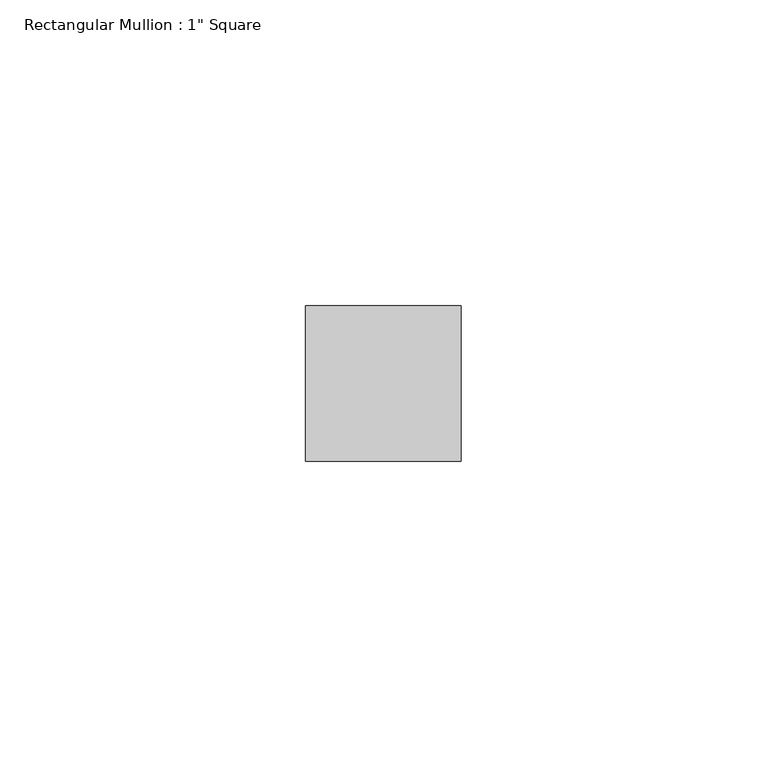
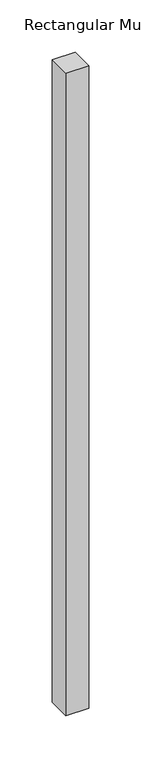
"""IFC4 building model written with IfcOpenShell, lengths in millimetres: member geometry."""

import ifcopenshell
import ifcopenshell.guid

model = None  # the IFC model being written
_history = None  # IfcOwnerHistory: only IFC2X3 demands one
_inside = {}  # id of a spatial element -> (the spatial element, [elements in it])
_under = {}  # id of a project, library or spatial element -> (it, [spatial elements below it])
_declared = {}  # id of a project -> (the project, [libraries it declares])
_typed = {}  # id of a type object -> (the type object, [elements of that type])
_made_of = {}  # id of a material, layer set ... -> (it, [elements and type objects made of it])


def new_model(schema):
    """Start an empty IFC model of exactly this schema.

    Asked for "IFC4X3", IfcOpenShell would pick the latest addendum, in which some entities
    have other attributes; the version numbers below select the first issue.
    IFC2X3 requires an IfcOwnerHistory on every rooted entity: one is made here for all.
    """
    global model, _history
    if schema == "IFC4X3":
        model = ifcopenshell.file(schema_version=(4, 3, 0, 0))
    else:
        model = ifcopenshell.file(schema=schema)
    _inside.clear()
    _under.clear()
    _declared.clear()
    _typed.clear()
    _made_of.clear()
    _history = None
    if model.schema == "IFC2X3":
        org = make("IfcOrganization", Name="unknown")
        user = make(
            "IfcPersonAndOrganization",
            ThePerson=make("IfcPerson", FamilyName="unknown"),
            TheOrganization=org,
        )
        app = make(
            "IfcApplication",
            ApplicationDeveloper=org,
            Version="unknown",
            ApplicationFullName="unknown",
            ApplicationIdentifier="unknown",
        )
        _history = make(
            "IfcOwnerHistory",
            OwningUser=user,
            OwningApplication=app,
            ChangeAction="ADDED",
            CreationDate=0,
        )
    return model


def make(cls, **values):
    """One entity of the class cls with the attributes given. An attribute that is None is left unset."""
    return model.create_entity(
        cls, **{name: value for name, value in values.items() if value is not None}
    )


def rooted(cls, **values):
    """An entity with a GlobalId (a new one), such as an element, a storey or a relation."""
    return make(cls, GlobalId=ifcopenshell.guid.new(), OwnerHistory=_history, **values)


def si_unit(unit_type, name, prefix=None):
    """IfcSIUnit, for example si_unit("LENGTHUNIT", "METRE", prefix="MILLI")."""
    return make("IfcSIUnit", UnitType=unit_type, Prefix=prefix, Name=name)


def assignment(units):
    """IfcUnitAssignment: the units of a project."""
    return None if units is None else make("IfcUnitAssignment", Units=units)


def point(xyz):
    """IfcCartesianPoint."""
    return None if xyz is None else make("IfcCartesianPoint", Coordinates=xyz)


def direction(xyz):
    """IfcDirection."""
    return None if xyz is None else make("IfcDirection", DirectionRatios=xyz)


def frame(location, z_axis=None, x_axis=None):
    """IfcAxis2Placement3D, a coordinate frame: its origin and axes. An axis left out is left unset."""
    return make(
        "IfcAxis2Placement3D",
        Location=point(location),
        Axis=direction(z_axis),
        RefDirection=direction(x_axis),
    )


def origin():
    """The frame at (0, 0, 0) with its axes left unset."""
    return frame((0.0, 0.0, 0.0))


def place(relative_to, where):
    """IfcLocalPlacement: puts the frame where relative to a parent placement (None: the world)."""
    return make(
        "IfcLocalPlacement", PlacementRelTo=relative_to, RelativePlacement=where
    )


def context(
    kind, dimensions, precision=None, world=None, true_north=None, identifier=None
):
    """IfcGeometricRepresentationContext, for example the 3D "Model" context."""
    return make(
        "IfcGeometricRepresentationContext",
        ContextIdentifier=identifier,
        ContextType=kind,
        CoordinateSpaceDimension=dimensions,
        Precision=precision,
        WorldCoordinateSystem=world,
        TrueNorth=true_north,
    )


def project(units=None, contexts=None):
    """IfcProject with its units and contexts."""
    return rooted(
        "IfcProject",
        Name="project",
        RepresentationContexts=contexts,
        UnitsInContext=assignment(units),
    )


def spatial(cls, under=None, at=None, **own):
    """A site, building, storey or space (cls), placed at a placement, below another one or the project."""
    s = rooted(cls, ObjectPlacement=at, **own)
    if under is not None:
        _under.setdefault(under.id(), (under, []))[1].append(s)
    return s


def polyline(points):
    """IfcPolyline through the points."""
    return make("IfcPolyline", Points=[point(p) for p in points])


def outline(outer, holes=None, kind="AREA"):
    """IfcArbitraryClosedProfileDef: a profile drawn as a closed curve; with holes, ...WithVoids."""
    if holes is None:
        return make("IfcArbitraryClosedProfileDef", ProfileType=kind, OuterCurve=outer)
    return make(
        "IfcArbitraryProfileDefWithVoids",
        ProfileType=kind,
        OuterCurve=outer,
        InnerCurves=holes,
    )


def extrude(swept, where, along, depth):
    """IfcExtrudedAreaSolid: the profile swept, set in the frame where, extruded along a direction by depth."""
    return make(
        "IfcExtrudedAreaSolid",
        SweptArea=swept,
        Position=where,
        ExtrudedDirection=direction(along),
        Depth=depth,
    )


def shape(context_of_items, identifier, shape_type, items):
    """IfcShapeRepresentation: the items that make up one representation, for example the "Body"."""
    return make(
        "IfcShapeRepresentation",
        ContextOfItems=context_of_items,
        RepresentationIdentifier=identifier,
        RepresentationType=shape_type,
        Items=items,
    )


def source(mapping_origin, context_of_items, identifier, shape_type, items):
    """IfcRepresentationMap: a shape defined once, which mapped items show again and again."""
    return make(
        "IfcRepresentationMap",
        MappingOrigin=mapping_origin,
        MappedRepresentation=shape(context_of_items, identifier, shape_type, items),
    )


def transform(
    local_origin,
    x_axis=None,
    y_axis=None,
    z_axis=None,
    scale=None,
    scale2=None,
    scale3=None,
    uniform=True,
):
    """IfcCartesianTransformationOperator3D, or its non-uniform kind. x_axis, y_axis, z_axis: its Axis1, 2, 3."""
    if uniform:
        return make(
            "IfcCartesianTransformationOperator3D",
            Axis1=direction(x_axis),
            Axis2=direction(y_axis),
            LocalOrigin=point(local_origin),
            Scale=scale,
            Axis3=direction(z_axis),
        )
    return make(
        "IfcCartesianTransformationOperator3DnonUniform",
        Axis1=direction(x_axis),
        Axis2=direction(y_axis),
        LocalOrigin=point(local_origin),
        Scale=scale,
        Axis3=direction(z_axis),
        Scale2=scale2,
        Scale3=scale3,
    )


def mapped(mapping_source, mapping_target):
    """IfcMappedItem: shows the shape of a source again, moved by a transform."""
    return make(
        "IfcMappedItem", MappingSource=mapping_source, MappingTarget=mapping_target
    )


def made_of(thing, what):
    """Note that an element or type object is made of a material, layer set ...; save() writes the relation."""
    if what is not None:
        _made_of.setdefault(what.id(), (what, []))[1].append(thing)
    return thing


def element(
    cls,
    number,
    at=None,
    inside=None,
    cuts=None,
    type_object=None,
    material=None,
    context=None,
    identifier="Body",
    shape_type=None,
    held_by="IfcProductDefinitionShape",
    body=None,
    shapes=None,
    **own,
):
    """One element of the class cls, such as IfcWall. Its Tag is "e" and its number.

    at: its placement. inside: the storey or other place that contains it. cuts: it is an
    opening in that element (IfcRelVoidsElement). A single representation is given by context,
    identifier, shape_type and body (its items); several are given by shapes. held_by: the class
    of the entity that holds the representations. save() writes the other relations.
    """
    e = rooted(cls, Tag="e%d" % number, ObjectPlacement=at, **own)
    if body is not None:
        shapes = [shape(context, identifier, shape_type, body)]
    if shapes is not None:
        e.Representation = make(held_by, Representations=shapes)
    if inside is not None:
        _inside.setdefault(inside.id(), (inside, []))[1].append(e)
    if cuts is not None:
        rooted(
            "IfcRelVoidsElement", RelatingBuildingElement=cuts, RelatedOpeningElement=e
        )
    if type_object is not None:
        _typed.setdefault(type_object.id(), (type_object, []))[1].append(e)
    return made_of(e, material)


def aggregate(whole, parts):
    """IfcRelAggregates: a whole, such as a stair, and the parts it consists of."""
    return rooted("IfcRelAggregates", RelatingObject=whole, RelatedObjects=parts)


def save(model, path):
    """Write the relations noted so far, then the file.

    IfcRelAggregates (storeys below a building ...), IfcRelContainedInSpatialStructure (elements
    in a storey), IfcRelDefinesByType, IfcRelAssociatesMaterial and IfcRelDeclares: one each for
    every whole, place, type object, material and project.
    """
    for whole, parts in _under.values():
        aggregate(whole, parts)
    for where, things in _inside.values():
        rooted(
            "IfcRelContainedInSpatialStructure",
            RelatedElements=things,
            RelatingStructure=where,
        )
    for kind, things in _typed.values():
        rooted("IfcRelDefinesByType", RelatedObjects=things, RelatingType=kind)
    for what, things in _made_of.values():
        rooted("IfcRelAssociatesMaterial", RelatedObjects=things, RelatingMaterial=what)
    for by, libraries in _declared.values():
        rooted("IfcRelDeclares", RelatingContext=by, RelatedDefinitions=libraries)
    model.write(path)


def member_6cc07f92(model_context):
    return source(origin(), model_context, "Body", "SweptSolid", [
        extrude(outline(polyline([(12.7, 12.7), (12.7, -12.7), (-12.7, -12.7), (-12.7, 12.7), (12.7, 12.7)])), frame((0.0, 0.0, -749.3000003), z_axis=(0.0, 0.0, 1.0), x_axis=(1.0, 0.0, 0.0)), (0.0, 0.0, 1.0), 749.3000003),
    ])


if __name__ == "__main__":
    model = new_model("IFC4")
    model_context = context("Model", 3, world=origin())
    ifc_project = project(units=[si_unit("LENGTHUNIT", "METRE", prefix="MILLI")], contexts=[model_context])
    site = spatial("IfcSite", under=ifc_project)
    building = spatial("IfcBuilding", under=site)
    placement = place(None, origin())
    member_shape = member_6cc07f92(model_context)
    element("IfcMember", 1, ObjectType="Rectangular Mullion : 1\" Square", at=placement, inside=building, context=model_context, shape_type="MappedRepresentation", body=[
        mapped(member_shape, transform((0.0, 0.0, 0.0), x_axis=(1.0, 0.0, 0.0), y_axis=(0.0, 1.0, 0.0), z_axis=(0.0, 0.0, 1.0))),
    ])
    save(model, "model.ifc")
